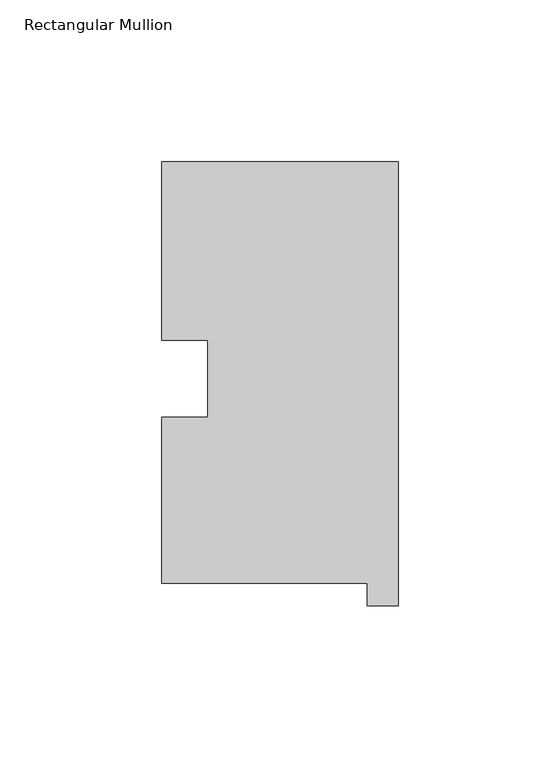
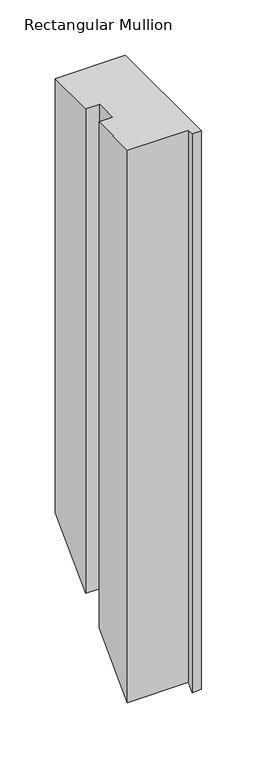
"""IFC4 building model written with IfcOpenShell, lengths in millimetres: member geometry, Rectangular Mullion."""

from ifc_helpers import new_model, si_unit, origin, place, context, project, spatial, faceted_brep, source, transform, mapped, element, save


def rectangular_mullion_f0af71ca(model_context):
    return source(origin(), model_context, "Body", "Brep", [
        faceted_brep([(-73.025, 130.56235, 0.0), (-73.025, 75.40625, 0.0), (-58.785125, 75.40625, 0.0), (-58.785125, 51.60645, 0.0), (-73.025, 51.60645, 0.0), (-73.025, 0.26035, 0.0), (-9.525, 0.26035, 0.0), (-9.525, -6.64845, 0.0), (0.0, -6.64845, 0.0), (0.0, 130.56235, 0.0), (-73.025, 130.56235, -479.0059), (-73.025, 75.40625, -534.162), (-58.785125, 75.40625, -534.162), (-58.785125, 51.60645, -557.9618), (-73.025, 51.60645, -557.9618), (-73.025, 0.26035, -609.3079), (-9.525, 0.26035, -609.3079), (-9.525, -6.64845, -616.2167), (0.0, -6.64845, -616.2167), (0.0, 130.56235, -479.0059)], [[[0, 1, 2, 3, 4, 5, 6, 7, 8, 9]], [[1, 0, 10, 11]], [[2, 1, 11, 12]], [[3, 2, 12, 13]], [[4, 3, 13, 14]], [[5, 4, 14, 15]], [[6, 5, 15, 16]], [[7, 6, 16, 17]], [[8, 7, 17, 18]], [[9, 8, 18, 19]], [[0, 9, 19, 10]], [[10, 19, 18, 17, 16, 15, 14, 13, 12, 11]]]),
    ])


if __name__ == "__main__":
    model = new_model("IFC4")
    model_context = context("Model", 3, world=origin())
    ifc_project = project(units=[si_unit("LENGTHUNIT", "METRE", prefix="MILLI")], contexts=[model_context])
    site = spatial("IfcSite", under=ifc_project)
    building = spatial("IfcBuilding", under=site)
    placement = place(None, origin())
    rectangular_mullion_shape = rectangular_mullion_f0af71ca(model_context)
    element("IfcMember", 1, ObjectType="Rectangular Mullion", at=placement, inside=building, context=model_context, shape_type="MappedRepresentation", body=[
        mapped(rectangular_mullion_shape, transform((0.0, 0.0, 0.0), x_axis=(1.0, 0.0, 0.0), y_axis=(0.0, 1.0, 0.0), z_axis=(0.0, 0.0, 1.0))),
    ])
    save(model, "model.ifc")
